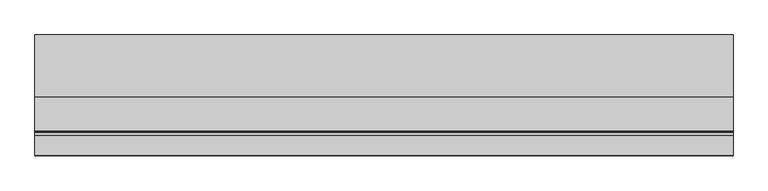
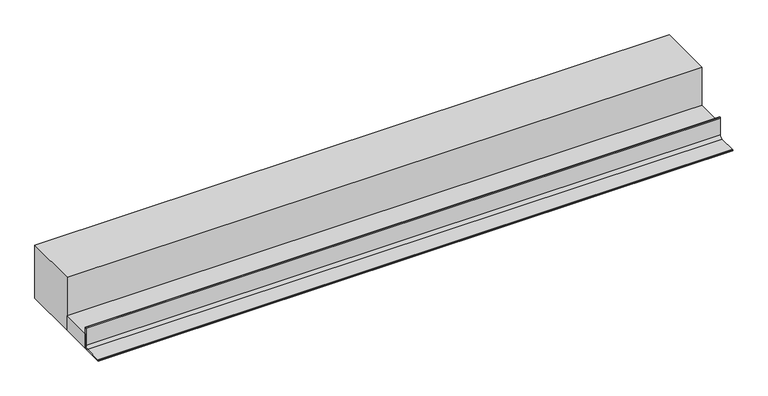
"""IFC4 building model written with IfcOpenShell, lengths in millimetres: beam geometry."""

from ifc_helpers import new_model, si_unit, frame, origin, place, context, project, spatial, polyline, circle_curve, outline, extrude, faceted_brep, source, transform, mapped, element, save
from ifc_brep_helpers import plane_surface, cylinder_surface, revolved_surface, advanced_brep


def beam_959a5e1d(model_context):
    return source(origin(), model_context, "Body", "SolidModel", [
        advanced_brep(
        [(320.0, -5275.0, 2700.0), (320.0, -5275.0, 2702.4745866), (320.0, -5272.4745866, 2705.0), (320.0, -5193.0410426, 2705.0), (320.0, -5180.0, 2718.0410426), (320.0, -5180.0, 2797.211754), (320.0, -5177.211754, 2800.0), (320.0, -5175.0, 2800.0), (320.0, -5175.0, 2768.9909984), (320.0, -5175.0, 2700.0), (3153.3705641, -5275.0, 2700.0), (3153.3705641, -5175.0, 2700.0), (3153.3705641, -5175.0, 2768.9909984), (3153.3705641, -5175.0, 2800.0), (3153.3705641, -5177.211754, 2800.0), (3153.3705641, -5180.0, 2797.211754), (3153.3705641, -5180.0, 2718.0410426), (3153.3705641, -5193.0410426, 2705.0), (3153.3705641, -5272.4745866, 2705.0), (3153.3705641, -5275.0, 2702.4745866), (2911.685282, -5275.0, 2700.0), (561.685282, -5275.0, 2700.0)],
        [
            (0, 1),
            (1, 2, circle_curve(frame((320.0, -5272.4745866, 2702.4745866), z_axis=(-1.0, 0.0, 0.0), x_axis=(0.0, 1.0, 0.0)), 2.5254134)),
            (2, 3),
            (3, 4, circle_curve(frame((320.0, -5193.0410426, 2718.0410426), z_axis=(1.0, 0.0, 0.0), x_axis=(0.0, 1.0, 0.0)), 13.0410426)),
            (4, 5),
            (5, 6, circle_curve(frame((320.0, -5177.211754, 2797.211754), z_axis=(-1.0, 0.0, 0.0), x_axis=(0.0, 1.0, 0.0)), 2.788246)),
            (6, 7),
            (7, 8),
            (8, 9),
            (9, 0),
            (10, 11),
            (11, 12),
            (12, 13),
            (13, 14),
            (14, 15, circle_curve(frame((3153.3705641, -5177.211754, 2797.211754), z_axis=(1.0, 0.0, 0.0), x_axis=(0.0, 1.0, 0.0)), 2.788246)),
            (15, 16),
            (16, 17, circle_curve(frame((3153.3705641, -5193.0410426, 2718.0410426), z_axis=(-1.0, 0.0, 0.0), x_axis=(0.0, 1.0, 0.0)), 13.0410426)),
            (17, 18),
            (18, 19, circle_curve(frame((3153.3705641, -5272.4745866, 2702.4745866), z_axis=(1.0, 0.0, 0.0), x_axis=(0.0, 1.0, 0.0)), 2.5254134)),
            (19, 10),
            (9, 11),
            (10, 20),
            (20, 21),
            (21, 0),
            (7, 13),
            (6, 14),
            (19, 1),
            (5, 15),
            (4, 16),
            (3, 17),
            (2, 18),
        ],
        [
            plane_surface(frame((320.0, -5275.0, 3065.0), z_axis=(-1.0, 0.0, 0.0), x_axis=(0.0, 0.0, 1.0))),
            plane_surface(frame((3153.3705641, -5275.0, 3065.0), z_axis=(1.0, 0.0, 0.0), x_axis=(0.0, 0.0, -1.0))),
            plane_surface(frame((320.0, -5175.0, 2700.0), z_axis=(0.0, 0.0, -1.0), x_axis=(1.0, 0.0, 0.0))),
            plane_surface(frame((320.0, -5175.0, 2800.0), z_axis=(0.0, 1.0, 0.0), x_axis=(1.0, 0.0, 0.0))),
            plane_surface(frame((320.0, -5177.211754, 2800.0), z_axis=(0.0, 0.0, 1.0), x_axis=(1.0, 0.0, 0.0))),
            plane_surface(frame((320.0, -5275.0, 2700.0), z_axis=(0.0, -1.0, 0.0), x_axis=(1.0, 0.0, 0.0))),
            cylinder_surface(frame((3153.3705641, -5177.211754, 2797.211754), z_axis=(-1.0, 0.0, 0.0), x_axis=(0.0, 1.0, 0.0)), 2.788246),
            plane_surface(frame((320.0, -5180.0, 2718.0410426), z_axis=(0.0, -1.0, 0.0), x_axis=(1.0, 0.0, 0.0))),
            revolved_surface(polyline([(3153.3705641, -5180.0, 2718.0410426), (320.0, -5180.0, 2718.0410426)]), (3153.3705641, -5193.0410426, 2718.0410426), (1.0, 0.0, 0.0)),
            plane_surface(frame((320.0, -5272.4745866, 2705.0), z_axis=(0.0, 0.0, 1.0), x_axis=(1.0, 0.0, 0.0))),
            cylinder_surface(frame((3153.3705641, -5272.4745866, 2702.4745866), z_axis=(-1.0, 0.0, 0.0), x_axis=(0.0, 1.0, 0.0)), 2.5254134),
        ],
        [
            (0, [[1, 2, 3, 4, 5, 6, 7, 8, 9, 10]]),
            (1, [[11, 12, 13, 14, 15, 16, 17, 18, 19, 20]]),
            (2, [[-10, 21, -11, 22, 23, 24]]),
            (3, [[-9, -8, 25, -13, -12, -21]]),
            (4, [[-7, 26, -14, -25]]),
            (5, [[-1, -24, -23, -22, -20, 27]]),
            (6, [[-6, 28, -15, -26]]),
            (7, [[-5, 29, -16, -28]]),
            (8, [[-4, 30, -17, -29]]),
            (9, [[-3, 31, -18, -30]]),
            (10, [[-2, -27, -19, -31]]),
        ],
    ),
        extrude(outline(polyline([(320.0, -5175.0), (320.0, -5035.0), (3153.3705641, -5035.0), (3153.3705641, -5175.0), (320.0, -5175.0)])), frame((0.0, 0.0, 2700.0), z_axis=(0.0, 0.0, 1.0), x_axis=(1.0, 0.0, 0.0)), (0.0, 0.0, 1.0), 68.9909984),
        faceted_brep([(320.0, -5035.0, 2700.0), (320.0, -5035.0, 2768.9909984), (320.0, -5035.0, 2950.0), (320.0, -4785.0, 2950.0), (320.0, -4785.0, 2700.0), (3153.3705641, -5035.0, 2700.0), (3153.3705641, -4785.0, 2700.0), (3153.3705641, -4785.0, 2950.0), (3153.3705641, -5035.0, 2950.0), (3153.3705641, -5035.0, 2768.9909984), (561.685282, -4785.0, 2700.0), (2911.685282, -4785.0, 2700.0)], [[[0, 1, 2, 3, 4]], [[5, 6, 7, 8, 9]], [[0, 4, 10, 11, 6, 5]], [[4, 3, 7, 6, 11, 10]], [[3, 2, 8, 7]], [[2, 1, 0, 5, 9, 8]]]),
    ])


if __name__ == "__main__":
    model = new_model("IFC4")
    model_context = context("Model", 3, world=origin())
    ifc_project = project(units=[si_unit("LENGTHUNIT", "METRE", prefix="MILLI")], contexts=[model_context])
    site = spatial("IfcSite", under=ifc_project)
    building = spatial("IfcBuilding", under=site)
    placement = place(None, origin())
    beam_shape = beam_959a5e1d(model_context)
    element("IfcBeam", 1, at=placement, inside=building, context=model_context, shape_type="MappedRepresentation", body=[
        mapped(beam_shape, transform((0.0, 0.0, 0.0), x_axis=(1.0, 0.0, 0.0), y_axis=(0.0, 1.0, 0.0), z_axis=(0.0, 0.0, 1.0))),
    ])
    save(model, "model.ifc")
